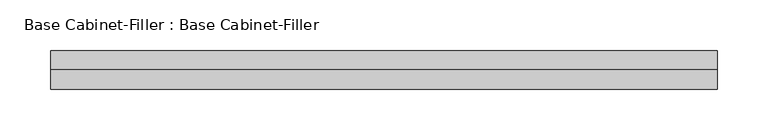
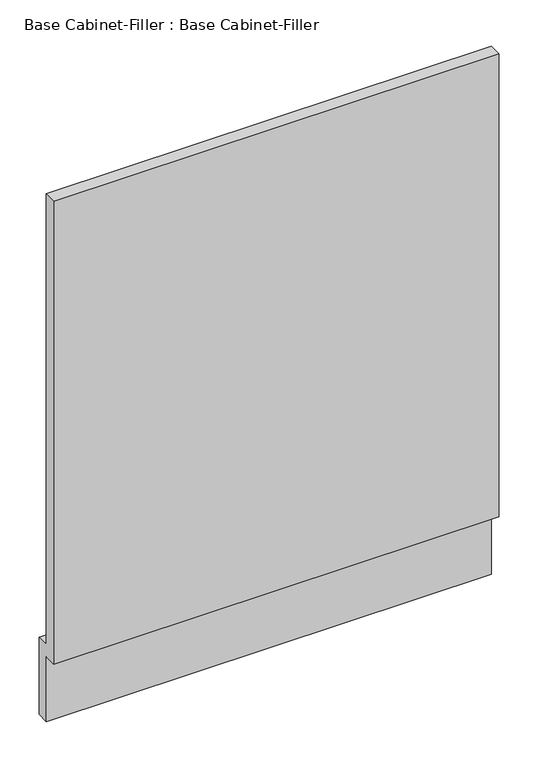
"""IFC4 building model written with IfcOpenShell, lengths in millimetres: furniture geometry, Base Cabinet-Filler : Base Cabinet-Filler."""

from ifc_helpers import new_model, si_unit, frame, origin, place, context, project, spatial, polyline, outline, extrude, source, transform, mapped, element, save


def base_cabinet_filler_base_cabinet_filler_0a218000(model_context):
    return source(origin(), model_context, "Body", "SweptSolid", [
        extrude(outline(polyline([(-590.55, 101.6), (-590.55, 825.5), (-571.5, 825.5), (-571.5, 120.65), (-552.45, 120.65), (-552.45, 0.0), (-571.5, 0.0), (-571.5, 101.6), (-590.55, 101.6)])), frame((-310.8219152, 0.0, 0.0), z_axis=(1.0, 0.0, 0.0), x_axis=(0.0, 1.0, 0.0)), (0.0, 0.0, 1.0), 659.1192402),
    ])


if __name__ == "__main__":
    model = new_model("IFC4")
    model_context = context("Model", 3, world=origin())
    ifc_project = project(units=[si_unit("LENGTHUNIT", "METRE", prefix="MILLI")], contexts=[model_context])
    site = spatial("IfcSite", under=ifc_project)
    building = spatial("IfcBuilding", under=site)
    placement = place(None, origin())
    base_cabinet_filler_base_cabinet_filler_shape = base_cabinet_filler_base_cabinet_filler_0a218000(model_context)
    element("IfcFurniture", 1, ObjectType="Base Cabinet-Filler : Base Cabinet-Filler", at=placement, inside=building, context=model_context, shape_type="MappedRepresentation", body=[
        mapped(base_cabinet_filler_base_cabinet_filler_shape, transform((0.0, 0.0, 0.0), x_axis=(1.0, 0.0, 0.0), y_axis=(0.0, 1.0, 0.0), z_axis=(0.0, 0.0, 1.0))),
    ])
    save(model, "model.ifc")
